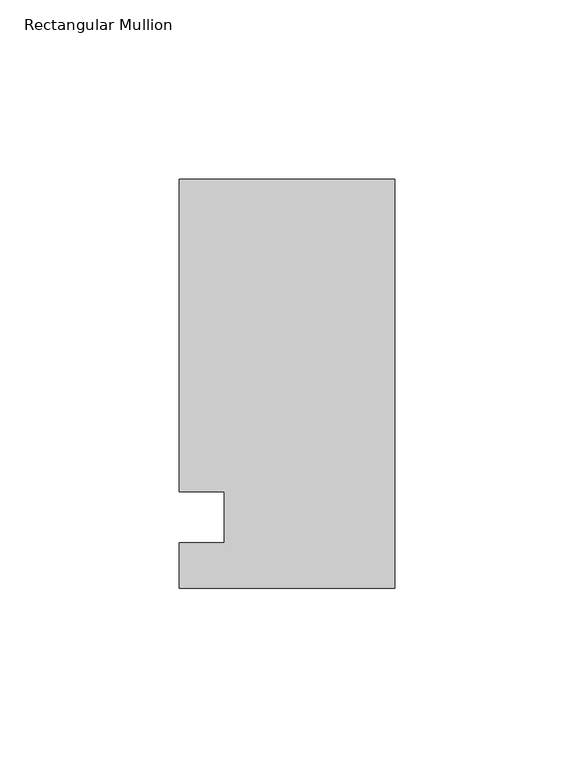
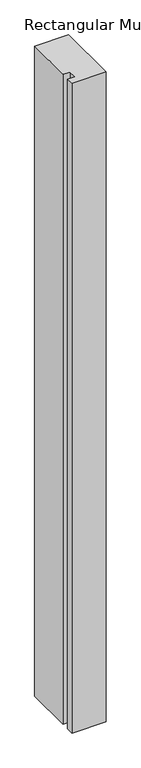
"""IFC4 building model written with IfcOpenShell, lengths in millimetres: member geometry, Rectangular Mullion."""

from ifc_helpers import new_model, si_unit, frame, origin, place, context, project, spatial, polyline, outline, extrude, source, transform, mapped, element, save


def rectangular_mullion_1b12a26d(model_context):
    return source(origin(), model_context, "Body", "SweptSolid", [
        extrude(outline(polyline([(-60.325, 94.45625), (0.0, 94.45625), (0.0, -19.84375), (-60.325, -19.84375), (-60.325, -7.14375), (-47.6232296, -7.14375), (-47.6232296, 7.14375), (-60.325, 7.14375), (-60.325, 94.45625)])), frame((0.0, 0.0, -1219.2), z_axis=(0.0, 0.0, 1.0), x_axis=(1.0, 0.0, 0.0)), (0.0, 0.0, 1.0), 1219.2),
    ])


if __name__ == "__main__":
    model = new_model("IFC4")
    model_context = context("Model", 3, world=origin())
    ifc_project = project(units=[si_unit("LENGTHUNIT", "METRE", prefix="MILLI")], contexts=[model_context])
    site = spatial("IfcSite", under=ifc_project)
    building = spatial("IfcBuilding", under=site)
    placement = place(None, origin())
    rectangular_mullion_shape = rectangular_mullion_1b12a26d(model_context)
    element("IfcMember", 1, ObjectType="Rectangular Mullion", at=placement, inside=building, context=model_context, shape_type="MappedRepresentation", body=[
        mapped(rectangular_mullion_shape, transform((0.0, 0.0, 0.0), x_axis=(1.0, 0.0, 0.0), y_axis=(0.0, 1.0, 0.0), z_axis=(0.0, 0.0, 1.0))),
    ])
    save(model, "model.ifc")
